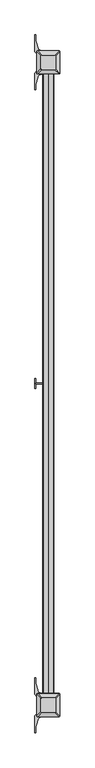
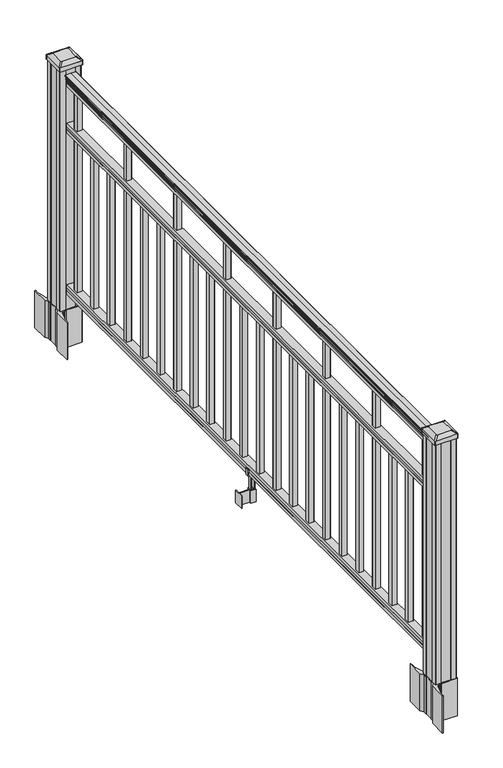
"""IFC4 building model written with IfcOpenShell, lengths in millimetres: railing geometry."""

from ifc_helpers import new_model, si_unit, point, frame, frame_2d, origin, origin_with_axes, place, context, project, spatial, polyline, circle_curve, trimmed, segment, composite_curve, outline, extrude, source, transform, mapped, element, save
from ifc_brep_helpers import plane_surface, extruded_surface, advanced_brep


def railing_ac12a959(model_context):
    return source(origin(), model_context, "Body", "SolidModel", [
        extrude(outline(composite_curve([segment(polyline([(938.4043297, 949.2470786), (940.292412, 949.2470786)]), True, "CONTINUOUS"), segment(trimmed(circle_curve(frame_2d((946.0506383, 942.9323253)), 8.545951), [point((940.292412, 949.2470786))], [point((941.8546695, 950.3772649))], False, "CARTESIAN"), True, "CONTINUOUS"), segment(trimmed(circle_curve(frame_2d((945.4636577, 943.3693883)), 7.882584), [point((941.8546695, 950.3772649))], [point((949.0726458, 950.3772649))], False, "CARTESIAN"), True, "CONTINUOUS"), segment(trimmed(circle_curve(frame_2d((951.3112527, 953.8827124)), 4.1592695), [point((949.0726458, 950.3772649))], [point((951.5060812, 949.7280085))], True, "CARTESIAN"), True, "CONTINUOUS"), segment(trimmed(circle_curve(frame_2d((951.2508864, 955.1700189)), 5.4479907), [point((951.5060812, 949.7280085))], [point((955.8362083, 952.2280085))], True, "CARTESIAN"), True, "CONTINUOUS"), segment(trimmed(circle_curve(frame_2d((955.833395, 953.9368605)), 1.7088543), [point((955.8362083, 952.2280085))], [point((957.5157972, 953.6373509))], True, "CARTESIAN"), True, "CONTINUOUS"), segment(trimmed(circle_curve(frame_2d((958.6205318, 952.3199604)), 1.7192895), [point((957.5157972, 953.6373509))], [point((958.6205318, 954.0392499))], False, "CARTESIAN"), True, "CONTINUOUS"), segment(polyline([(958.6205318, 954.0392499), (959.9608158, 954.0392498)]), True, "CONTINUOUS"), segment(trimmed(circle_curve(frame_2d((959.9608158, 952.4858026)), 1.5534472), [point((959.9608158, 954.0392498))], [point((961.514263, 952.4858026))], False, "CARTESIAN"), True, "CONTINUOUS"), segment(polyline([(961.514263, 952.4858026), (961.514263, 931.8142498), (961.514263, 911.1426971)]), True, "CONTINUOUS"), segment(trimmed(circle_curve(frame_2d((959.9608158, 911.1426971)), 1.5534472), [point((961.514263, 911.1426971))], [point((959.9608158, 909.5892498))], False, "CARTESIAN"), True, "CONTINUOUS"), segment(polyline([(959.9608158, 909.5892498), (958.6205318, 909.5892498)]), True, "CONTINUOUS"), segment(trimmed(circle_curve(frame_2d((958.6205318, 911.3085393)), 1.7192895), [point((958.6205318, 909.5892498))], [point((957.5157972, 909.9911488))], False, "CARTESIAN"), True, "CONTINUOUS"), segment(trimmed(circle_curve(frame_2d((955.833395, 909.6916392)), 1.7088543), [point((957.5157972, 909.9911488))], [point((955.8362083, 911.4004912))], True, "CARTESIAN"), True, "CONTINUOUS"), segment(trimmed(circle_curve(frame_2d((951.2508864, 908.4584807)), 5.4479907), [point((955.8362083, 911.4004912))], [point((951.5060812, 913.9004912))], True, "CARTESIAN"), True, "CONTINUOUS"), segment(trimmed(circle_curve(frame_2d((951.3112527, 909.7457873)), 4.1592695), [point((951.5060812, 913.9004912))], [point((949.0726458, 913.2512348))], True, "CARTESIAN"), True, "CONTINUOUS"), segment(trimmed(circle_curve(frame_2d((945.4636577, 920.2591114)), 7.882584), [point((949.0726458, 913.2512348))], [point((941.8546695, 913.2512348))], False, "CARTESIAN"), True, "CONTINUOUS"), segment(trimmed(circle_curve(frame_2d((946.0506383, 920.6961744)), 8.545951), [point((941.8546695, 913.2512348))], [point((940.292412, 914.3814211))], False, "CARTESIAN"), True, "CONTINUOUS"), segment(polyline([(940.292412, 914.3814211), (938.4043297, 914.3814211)]), True, "CONTINUOUS"), segment(trimmed(circle_curve(frame_2d((938.4043297, 915.6683355)), 1.2869144), [point((938.4043297, 914.3814211))], [point((938.4043297, 916.9552498))], False, "CARTESIAN"), True, "CONTINUOUS"), segment(polyline([(938.4043297, 916.9552498), (927.9048283, 916.9552498), (926.8888283, 915.9392498), (914.4, 915.9392498), (914.4, 947.6892498), (926.731013, 947.6892498), (927.747013, 946.6732498), (938.4043297, 946.6732498)]), True, "CONTINUOUS"), segment(trimmed(circle_curve(frame_2d((938.4043297, 947.9601642)), 1.2869144), [point((938.4043297, 946.6732498))], [point((938.4043297, 949.2470786))], False, "CARTESIAN"), True, "CONTINUOUS")], self_intersect=False)), frame((0.0, -114796.5191011, 0.0), z_axis=(0.0, 1.0, 0.0), x_axis=(0.0, 0.0, 1.0)), (0.0, 0.0, 1.0), 2438.4),
        extrude(outline(polyline([(736.4541976, 947.7267367), (737.7546183, 946.7107367), (748.1141717, 946.7107367), (749.4624492, 947.7267367), (761.9958781, 947.7267367), (761.9958781, 915.9767367), (749.4458024, 915.9767367), (748.0975248, 916.9927367), (737.7858283, 916.9927367), (736.4375508, 915.9767367), (723.9, 915.9767367), (723.9, 947.7267367), (736.4541976, 947.7267367)])), frame((0.0, -114796.5191011, 0.0), z_axis=(0.0, 1.0, 0.0), x_axis=(0.0, 0.0, 1.0)), (0.0, 0.0, 1.0), 2438.4),
        extrude(outline(polyline([(76.0541976, 947.7267367), (77.3546183, 946.7107367), (87.7141717, 946.7107367), (89.0624492, 947.7267367), (101.5958781, 947.7267367), (101.5958781, 915.9767367), (89.0458024, 915.9767367), (87.6975248, 916.9927367), (77.3858283, 916.9927367), (76.0375508, 915.9767367), (63.5, 915.9767367), (63.5, 947.7267367), (76.0541976, 947.7267367)])), frame((0.0, -114796.5191011, 0.0), z_axis=(0.0, 1.0, 0.0), x_axis=(0.0, 0.0, 1.0)), (0.0, 0.0, 1.0), 2438.4),
        extrude(outline(polyline([(941.3392498, -112417.4281011), (922.2892498, -112417.4281011), (922.2892498, -112398.3781011), (941.3392498, -112398.3781011), (941.3392498, -112417.4281011)]), holes=[polyline([(940.9423748, -112417.0312261), (940.9423748, -112398.7749761), (922.6861248, -112398.7749761), (922.6861248, -112417.0312261), (940.9423748, -112417.0312261)])]), frame((0.0, 0.0, 101.5958781), z_axis=(0.0, 0.0, 1.0), x_axis=(1.0, 0.0, 0.0)), (0.0, 0.0, 1.0), 812.8041219),
        extrude(outline(polyline([(941.3392498, -112528.6801011), (922.2892498, -112528.6801011), (922.2892498, -112509.6301011), (941.3392498, -112509.6301011), (941.3392498, -112528.6801011)]), holes=[polyline([(940.9423748, -112528.2832261), (940.9423748, -112510.0269761), (922.6861248, -112510.0269761), (922.6861248, -112528.2832261), (940.9423748, -112528.2832261)])]), frame((0.0, 0.0, 101.5958781), z_axis=(0.0, 0.0, 1.0), x_axis=(1.0, 0.0, 0.0)), (0.0, 0.0, 1.0), 622.3041219),
        extrude(outline(polyline([(941.3392498, -112639.9321011), (922.2892498, -112639.9321011), (922.2892498, -112620.8821011), (941.3392498, -112620.8821011), (941.3392498, -112639.9321011)]), holes=[polyline([(940.9423748, -112639.5352261), (940.9423748, -112621.2789761), (922.6861248, -112621.2789761), (922.6861248, -112639.5352261), (940.9423748, -112639.5352261)])]), frame((0.0, 0.0, 101.5958781), z_axis=(0.0, 0.0, 1.0), x_axis=(1.0, 0.0, 0.0)), (0.0, 0.0, 1.0), 622.3041219),
        extrude(outline(polyline([(941.3392498, -112751.1841011), (922.2892498, -112751.1841011), (922.2892498, -112732.1341011), (941.3392498, -112732.1341011), (941.3392498, -112751.1841011)]), holes=[polyline([(940.9423748, -112750.7872261), (940.9423748, -112732.5309761), (922.6861248, -112732.5309761), (922.6861248, -112750.7872261), (940.9423748, -112750.7872261)])]), frame((0.0, 0.0, 101.5958781), z_axis=(0.0, 0.0, 1.0), x_axis=(1.0, 0.0, 0.0)), (0.0, 0.0, 1.0), 812.8041219),
        extrude(outline(polyline([(941.3392498, -112862.4361011), (922.2892498, -112862.4361011), (922.2892498, -112843.3861011), (941.3392498, -112843.3861011), (941.3392498, -112862.4361011)]), holes=[polyline([(940.9423748, -112862.0392261), (940.9423748, -112843.7829761), (922.6861248, -112843.7829761), (922.6861248, -112862.0392261), (940.9423748, -112862.0392261)])]), frame((0.0, 0.0, 101.5958781), z_axis=(0.0, 0.0, 1.0), x_axis=(1.0, 0.0, 0.0)), (0.0, 0.0, 1.0), 622.3041219),
        extrude(outline(polyline([(941.3392498, -112973.6881011), (922.2892498, -112973.6881011), (922.2892498, -112954.6381011), (941.3392498, -112954.6381011), (941.3392498, -112973.6881011)]), holes=[polyline([(940.9423748, -112973.2912261), (940.9423748, -112955.0349761), (922.6861248, -112955.0349761), (922.6861248, -112973.2912261), (940.9423748, -112973.2912261)])]), frame((0.0, 0.0, 101.5958781), z_axis=(0.0, 0.0, 1.0), x_axis=(1.0, 0.0, 0.0)), (0.0, 0.0, 1.0), 622.3041219),
        extrude(outline(polyline([(941.3392498, -113084.9401011), (922.2892498, -113084.9401011), (922.2892498, -113065.8901011), (941.3392498, -113065.8901011), (941.3392498, -113084.9401011)]), holes=[polyline([(940.9423748, -113084.5432261), (940.9423748, -113066.2869761), (922.6861248, -113066.2869761), (922.6861248, -113084.5432261), (940.9423748, -113084.5432261)])]), frame((0.0, 0.0, 101.5958781), z_axis=(0.0, 0.0, 1.0), x_axis=(1.0, 0.0, 0.0)), (0.0, 0.0, 1.0), 812.8041219),
        extrude(outline(polyline([(941.3392498, -113196.1921011), (922.2892498, -113196.1921011), (922.2892498, -113177.1421011), (941.3392498, -113177.1421011), (941.3392498, -113196.1921011)]), holes=[polyline([(940.9423748, -113195.7952261), (940.9423748, -113177.5389761), (922.6861248, -113177.5389761), (922.6861248, -113195.7952261), (940.9423748, -113195.7952261)])]), frame((0.0, 0.0, 101.5958781), z_axis=(0.0, 0.0, 1.0), x_axis=(1.0, 0.0, 0.0)), (0.0, 0.0, 1.0), 622.3041219),
        extrude(outline(polyline([(941.3392498, -113307.4441011), (922.2892498, -113307.4441011), (922.2892498, -113288.3941011), (941.3392498, -113288.3941011), (941.3392498, -113307.4441011)]), holes=[polyline([(940.9423748, -113307.0472261), (940.9423748, -113288.7909761), (922.6861248, -113288.7909761), (922.6861248, -113307.0472261), (940.9423748, -113307.0472261)])]), frame((0.0, 0.0, 101.5958781), z_axis=(0.0, 0.0, 1.0), x_axis=(1.0, 0.0, 0.0)), (0.0, 0.0, 1.0), 622.3041219),
        extrude(outline(polyline([(941.3392498, -113418.6961011), (922.2892498, -113418.6961011), (922.2892498, -113399.6461011), (941.3392498, -113399.6461011), (941.3392498, -113418.6961011)]), holes=[polyline([(940.9423748, -113418.2992261), (940.9423748, -113400.0429761), (922.6861248, -113400.0429761), (922.6861248, -113418.2992261), (940.9423748, -113418.2992261)])]), frame((0.0, 0.0, 101.5958781), z_axis=(0.0, 0.0, 1.0), x_axis=(1.0, 0.0, 0.0)), (0.0, 0.0, 1.0), 812.8041219),
        extrude(outline(polyline([(941.3392498, -113529.9481011), (922.2892498, -113529.9481011), (922.2892498, -113510.8981011), (941.3392498, -113510.8981011), (941.3392498, -113529.9481011)]), holes=[polyline([(940.9423748, -113529.5512261), (940.9423748, -113511.2949761), (922.6861248, -113511.2949761), (922.6861248, -113529.5512261), (940.9423748, -113529.5512261)])]), frame((0.0, 0.0, 101.5958781), z_axis=(0.0, 0.0, 1.0), x_axis=(1.0, 0.0, 0.0)), (0.0, 0.0, 1.0), 622.3041219),
        extrude(outline(polyline([(921.1462501, -113577.3191011), (881.7762498, -113577.3191011), (881.7762498, -113574.7791011), (921.1462501, -113574.7791011), (921.1462501, -113577.3191011)])), frame((0.0, 0.0, -50.8), z_axis=(0.0, 0.0, 1.0), x_axis=(1.0, 0.0, 0.0)), (0.0, 0.0, 1.0), 50.8),
        extrude(outline(polyline([(881.7762498, -113595.0991011), (879.2362498, -113595.0991011), (879.2362498, -113556.9991011), (881.7762498, -113556.9991011), (881.7762498, -113595.0991011)])), frame((0.0, 0.0, -50.8), z_axis=(0.0, 0.0, 1.0), x_axis=(1.0, 0.0, 0.0)), (0.0, 0.0, 1.0), 50.8),
        extrude(outline(polyline([(942.4822506, -113585.9551011), (921.1462501, -113585.9551011), (921.1462501, -113566.1431011), (942.4822506, -113566.1431011), (942.4822506, -113585.9551011)]), holes=[polyline([(939.1802505, -113583.4151011), (939.1802505, -113568.6831011), (924.4482501, -113568.6831011), (924.4482501, -113583.4151011), (939.1802505, -113583.4151011)])]), frame((0.0, 0.0, -50.8), z_axis=(0.0, 0.0, 1.0), x_axis=(1.0, 0.0, 0.0)), (0.0, 0.0, 1.0), 50.8),
        extrude(outline(polyline([(88.7203979, 913.653251), (87.9583969, 912.89125), (61.4680023, 912.89125), (60.7060013, 913.653251), (60.7060013, 923.6862501), (59.9440012, 924.4482501), (-3.5559988, 924.4482501), (-3.5559988, 939.1802505), (59.9440012, 939.1802505), (60.7060013, 939.9422506), (60.7060013, 949.9752496), (61.4680023, 950.7372507), (87.9583969, 950.7372507), (88.7203979, 949.9752496), (88.7203979, 947.94325), (87.7043953, 946.9272502), (77.2686081, 946.9272502), (76.2526073, 947.94325), (64.262001, 947.94325), (63.5000019, 947.1812509), (63.5000019, 916.4472497), (64.262001, 915.6852506), (76.2526073, 915.6852506), (77.2686081, 916.7012504), (87.7043953, 916.7012504), (88.7203979, 915.6852506), (88.7203979, 913.653251)]), holes=[polyline([(60.7060013, 935.2432502), (59.9440012, 936.0052503), (3.9370031, 936.0052503), (3.1750031, 935.2432502), (3.1750031, 928.3852476), (3.9370003, 927.6232503), (59.9440012, 927.6232503), (60.7060013, 928.3852504), (60.7060013, 935.2432502)])]), frame((0.0, -113583.4151011, 0.0), z_axis=(0.0, 1.0, 0.0), x_axis=(0.0, 0.0, 1.0)), (0.0, 0.0, 1.0), 14.732),
        extrude(outline(polyline([(941.3392498, -113641.2001011), (922.2892498, -113641.2001011), (922.2892498, -113622.1501011), (941.3392498, -113622.1501011), (941.3392498, -113641.2001011)]), holes=[polyline([(940.9423748, -113640.8032261), (940.9423748, -113622.5469761), (922.6861248, -113622.5469761), (922.6861248, -113640.8032261), (940.9423748, -113640.8032261)])]), frame((0.0, 0.0, 101.5958781), z_axis=(0.0, 0.0, 1.0), x_axis=(1.0, 0.0, 0.0)), (0.0, 0.0, 1.0), 622.3041219),
        extrude(outline(polyline([(941.3392498, -113752.4521011), (922.2892498, -113752.4521011), (922.2892498, -113733.4021011), (941.3392498, -113733.4021011), (941.3392498, -113752.4521011)]), holes=[polyline([(940.9423748, -113752.0552261), (940.9423748, -113733.7989761), (922.6861248, -113733.7989761), (922.6861248, -113752.0552261), (940.9423748, -113752.0552261)])]), frame((0.0, 0.0, 101.5958781), z_axis=(0.0, 0.0, 1.0), x_axis=(1.0, 0.0, 0.0)), (0.0, 0.0, 1.0), 812.8041219),
        extrude(outline(polyline([(941.3392498, -113863.7041011), (922.2892498, -113863.7041011), (922.2892498, -113844.6541011), (941.3392498, -113844.6541011), (941.3392498, -113863.7041011)]), holes=[polyline([(940.9423748, -113863.3072261), (940.9423748, -113845.0509761), (922.6861248, -113845.0509761), (922.6861248, -113863.3072261), (940.9423748, -113863.3072261)])]), frame((0.0, 0.0, 101.5958781), z_axis=(0.0, 0.0, 1.0), x_axis=(1.0, 0.0, 0.0)), (0.0, 0.0, 1.0), 622.3041219),
        extrude(outline(polyline([(941.3392498, -113974.9561011), (922.2892498, -113974.9561011), (922.2892498, -113955.9061011), (941.3392498, -113955.9061011), (941.3392498, -113974.9561011)]), holes=[polyline([(940.9423748, -113974.5592261), (940.9423748, -113956.3029761), (922.6861248, -113956.3029761), (922.6861248, -113974.5592261), (940.9423748, -113974.5592261)])]), frame((0.0, 0.0, 101.5958781), z_axis=(0.0, 0.0, 1.0), x_axis=(1.0, 0.0, 0.0)), (0.0, 0.0, 1.0), 622.3041219),
        extrude(outline(polyline([(941.3392498, -114086.2081011), (922.2892498, -114086.2081011), (922.2892498, -114067.1581011), (941.3392498, -114067.1581011), (941.3392498, -114086.2081011)]), holes=[polyline([(940.9423748, -114085.8112261), (940.9423748, -114067.5549761), (922.6861248, -114067.5549761), (922.6861248, -114085.8112261), (940.9423748, -114085.8112261)])]), frame((0.0, 0.0, 101.5958781), z_axis=(0.0, 0.0, 1.0), x_axis=(1.0, 0.0, 0.0)), (0.0, 0.0, 1.0), 812.8041219),
        extrude(outline(polyline([(941.3392498, -114197.4601011), (922.2892498, -114197.4601011), (922.2892498, -114178.4101011), (941.3392498, -114178.4101011), (941.3392498, -114197.4601011)]), holes=[polyline([(940.9423748, -114197.0632261), (940.9423748, -114178.8069761), (922.6861248, -114178.8069761), (922.6861248, -114197.0632261), (940.9423748, -114197.0632261)])]), frame((0.0, 0.0, 101.5958781), z_axis=(0.0, 0.0, 1.0), x_axis=(1.0, 0.0, 0.0)), (0.0, 0.0, 1.0), 622.3041219),
        extrude(outline(polyline([(941.3392498, -114308.7121011), (922.2892498, -114308.7121011), (922.2892498, -114289.6621011), (941.3392498, -114289.6621011), (941.3392498, -114308.7121011)]), holes=[polyline([(940.9423748, -114308.3152261), (940.9423748, -114290.0589761), (922.6861248, -114290.0589761), (922.6861248, -114308.3152261), (940.9423748, -114308.3152261)])]), frame((0.0, 0.0, 101.5958781), z_axis=(0.0, 0.0, 1.0), x_axis=(1.0, 0.0, 0.0)), (0.0, 0.0, 1.0), 622.3041219),
        extrude(outline(polyline([(941.3392498, -114419.9641011), (922.2892498, -114419.9641011), (922.2892498, -114400.9141011), (941.3392498, -114400.9141011), (941.3392498, -114419.9641011)]), holes=[polyline([(940.9423748, -114419.5672261), (940.9423748, -114401.3109761), (922.6861248, -114401.3109761), (922.6861248, -114419.5672261), (940.9423748, -114419.5672261)])]), frame((0.0, 0.0, 101.5958781), z_axis=(0.0, 0.0, 1.0), x_axis=(1.0, 0.0, 0.0)), (0.0, 0.0, 1.0), 812.8041219),
        extrude(outline(polyline([(941.3392498, -114531.2161011), (922.2892498, -114531.2161011), (922.2892498, -114512.1661011), (941.3392498, -114512.1661011), (941.3392498, -114531.2161011)]), holes=[polyline([(940.9423748, -114530.8192261), (940.9423748, -114512.5629761), (922.6861248, -114512.5629761), (922.6861248, -114530.8192261), (940.9423748, -114530.8192261)])]), frame((0.0, 0.0, 101.5958781), z_axis=(0.0, 0.0, 1.0), x_axis=(1.0, 0.0, 0.0)), (0.0, 0.0, 1.0), 622.3041219),
        extrude(outline(polyline([(941.3392498, -114642.4681011), (922.2892498, -114642.4681011), (922.2892498, -114623.4181011), (941.3392498, -114623.4181011), (941.3392498, -114642.4681011)]), holes=[polyline([(940.9423748, -114642.0712261), (940.9423748, -114623.8149761), (922.6861248, -114623.8149761), (922.6861248, -114642.0712261), (940.9423748, -114642.0712261)])]), frame((0.0, 0.0, 101.5958781), z_axis=(0.0, 0.0, 1.0), x_axis=(1.0, 0.0, 0.0)), (0.0, 0.0, 1.0), 622.3041219),
        extrude(outline(polyline([(941.3392498, -114753.7201011), (922.2892498, -114753.7201011), (922.2892498, -114734.6701011), (941.3392498, -114734.6701011), (941.3392498, -114753.7201011)]), holes=[polyline([(940.9423748, -114753.3232261), (940.9423748, -114735.0669761), (922.6861248, -114735.0669761), (922.6861248, -114753.3232261), (940.9423748, -114753.3232261)])]), frame((0.0, 0.0, 101.5958781), z_axis=(0.0, 0.0, 1.0), x_axis=(1.0, 0.0, 0.0)), (0.0, 0.0, 1.0), 812.8041219),
        extrude(outline(composite_curve([segment(polyline([(974.5497498, -112334.103196), (976.1372498, -112334.865196), (976.1372498, -112357.6671241), (972.7642728, -112361.0401011), (911.304602, -112361.0401011), (911.304602, -112361.9608511), (905.9870581, -112361.9608511), (905.9870581, -112363.4151058), (900.9025284, -112363.4151058), (900.9025284, -112364.6991297), (899.2352561, -112364.6991297)]), True, "CONTINUOUS"), segment(trimmed(circle_curve(frame_2d((899.2352561, -112371.7585895)), 7.0594599), [point((899.2352561, -112364.6991297))], [point((892.4679933, -112369.7485828))], True, "CARTESIAN"), True, "CONTINUOUS"), segment(polyline([(892.4679933, -112369.7485828), (884.593799, -112396.2593119)]), True, "CONTINUOUS"), segment(trimmed(circle_curve(frame_2d((939.3783123, -112412.5313616)), 57.15), [point((884.593799, -112396.2593119))], [point((882.2283123, -112412.5313616))], True, "CARTESIAN"), True, "CONTINUOUS"), segment(polyline([(882.2283123, -112412.5313616), (882.2283123, -112424.5401011), (879.2283123, -112424.5401011), (879.2283123, -112359.4526011), (887.4912498, -112348.1143098), (887.4912498, -112334.865196), (889.0787498, -112334.103196), (889.0787498, -112299.3310063), (887.4912498, -112298.5690063), (887.4912498, -112285.3198925), (879.2283123, -112273.9816011), (879.2283123, -112208.8941011), (882.2283123, -112208.8941011), (882.2283123, -112220.9028407)]), True, "CONTINUOUS"), segment(trimmed(circle_curve(frame_2d((939.3783123, -112220.9028407)), 57.15), [point((882.2283123, -112220.9028407))], [point((884.593799, -112237.1748904))], True, "CARTESIAN"), True, "CONTINUOUS"), segment(polyline([(884.593799, -112237.1748904), (892.4679933, -112263.6856194)]), True, "CONTINUOUS"), segment(trimmed(circle_curve(frame_2d((899.2352561, -112261.6756128)), 7.0594599), [point((892.4679933, -112263.6856194))], [point((899.2352561, -112268.7350726))], True, "CARTESIAN"), True, "CONTINUOUS"), segment(polyline([(899.2352561, -112268.7350726), (900.9025284, -112268.7350726), (900.9025284, -112270.0190965), (905.9870581, -112270.0190965), (905.9870581, -112271.4733511), (911.304602, -112271.4733511), (911.304602, -112272.3941011), (972.7642728, -112272.3941011), (976.1372498, -112275.7670782), (976.1372498, -112298.5690063), (974.5497498, -112299.3310063), (974.5497498, -112334.103196)]), True, "CONTINUOUS")], self_intersect=False), holes=[polyline([(890.5392498, -112277.0296011), (890.5392498, -112356.4046011), (892.1267498, -112357.9921011), (929.0510325, -112357.9921011), (971.5017498, -112357.9921011), (973.0892498, -112356.4046011), (973.0892498, -112277.0296011), (971.5017498, -112275.4421011), (929.0510325, -112275.4421011), (892.1267498, -112275.4421011), (890.5392498, -112277.0296011)])]), frame((0.0, 0.0, -152.4), z_axis=(0.0, 0.0, 1.0), x_axis=(1.0, 0.0, 0.0)), (0.0, 0.0, 1.0), 152.4),
        advanced_brep(
        [(906.0173748, -112345.6889761, 1012.825), (957.6111248, -112345.6889761, 1012.825), (960.7861248, -112342.5139761, 1012.825), (960.7861248, -112290.9202261, 1012.825), (957.6111248, -112287.7452261, 1012.825), (906.0173748, -112287.7452261, 1012.825), (902.8423748, -112290.9202261, 1012.825), (902.8423748, -112342.5139761, 1012.825), (889.7454998, -112361.9608511, 1001.522), (886.5704998, -112358.7858511, 1001.522), (886.5704998, -112274.6483511, 1001.522), (889.7454998, -112271.4733511, 1001.522), (973.8829998, -112271.4733511, 1001.522), (977.0579998, -112274.6483511, 1001.522), (977.0579998, -112358.7858511, 1001.522), (973.8829998, -112361.9608511, 1001.522)],
        [
            (0, 1),
            (1, 2, circle_curve(frame((957.6111248, -112342.5139761, 1012.825), z_axis=(0.0, 0.0, 1.0), x_axis=(0.0, 1.0, 0.0)), 3.175)),
            (2, 3),
            (3, 4, circle_curve(frame((957.6111248, -112290.9202261, 1012.825), z_axis=(0.0, 0.0, 1.0), x_axis=(0.0, 1.0, 0.0)), 3.175)),
            (4, 5),
            (5, 6, circle_curve(frame((906.0173748, -112290.9202261, 1012.825), z_axis=(0.0, 0.0, 1.0), x_axis=(0.0, 1.0, 0.0)), 3.175)),
            (6, 7),
            (7, 0, circle_curve(frame((906.0173748, -112342.5139761, 1012.825), z_axis=(0.0, 0.0, 1.0), x_axis=(0.0, 1.0, 0.0)), 3.175)),
            (8, 9, circle_curve(frame((889.7454998, -112358.7858511, 1001.522), z_axis=(0.0, 0.0, -1.0), x_axis=(0.0, 1.0, 0.0)), 3.175)),
            (9, 10),
            (10, 11, circle_curve(frame((889.7454998, -112274.6483511, 1001.522), z_axis=(0.0, 0.0, -1.0), x_axis=(0.0, 1.0, 0.0)), 3.175)),
            (11, 12),
            (12, 13, circle_curve(frame((973.8829998, -112274.6483511, 1001.522), z_axis=(0.0, 0.0, -1.0), x_axis=(0.0, 1.0, 0.0)), 3.175)),
            (13, 14),
            (14, 15, circle_curve(frame((973.8829998, -112358.7858511, 1001.522), z_axis=(0.0, 0.0, -1.0), x_axis=(0.0, 1.0, 0.0)), 3.175)),
            (15, 8),
            (8, 0),
            (7, 9),
            (6, 10),
            (5, 11),
            (4, 12),
            (3, 13),
            (2, 14),
            (1, 15),
        ],
        [
            plane_surface(frame((931.8142498, -112316.7171011, 1012.825), z_axis=(0.0, 0.0, 1.0), x_axis=(-1.0, 0.0, 0.0))),
            plane_surface(frame((931.8142498, -112316.7171011, 1001.522), z_axis=(0.0, 0.0, -1.0), x_axis=(-1.0, 0.0, 0.0))),
            extruded_surface(trimmed(circle_curve(frame((906.0173748, -112342.5139761, 1012.825), z_axis=(0.0, 0.0, -1.0), x_axis=(0.0, 1.0, 0.0)), 3.175), [point((906.0173748, -112345.6889761, 1012.825))], [point((902.8423748, -112342.5139761, 1012.825))], True, "CARTESIAN"), (-16.271875000000023, -16.27187499999127, -11.302999999999997), 25.637972638860635),
            plane_surface(frame((886.5704998, -112316.7171011, 1001.522), z_axis=(-0.5705009161540779, 0.0, 0.8212969649690408), x_axis=(0.0, 1.0, 0.0))),
            extruded_surface(trimmed(circle_curve(frame((906.0173748, -112290.9202261, 1012.825), z_axis=(0.0, 0.0, -1.0), x_axis=(0.0, 1.0, 0.0)), 3.175), [point((902.8423748, -112290.9202261, 1012.825))], [point((906.0173748, -112287.7452261, 1012.825))], True, "CARTESIAN"), (-16.271875000000023, 16.27187500000582, -11.302999999999997), 25.637972638869872),
            plane_surface(frame((931.8142498, -112271.4733511, 1001.522), z_axis=(0.0, 0.5705009161540291, 0.8212969649690747), x_axis=(1.0, 0.0, 0.0))),
            extruded_surface(trimmed(circle_curve(frame((957.6111248, -112290.9202261, 1012.825), z_axis=(0.0, 0.0, -1.0), x_axis=(0.0, 1.0, 0.0)), 3.175), [point((957.6111248, -112287.7452261, 1012.825))], [point((960.7861248, -112290.9202261, 1012.825))], True, "CARTESIAN"), (16.271875000000023, 16.27187500000582, -11.302999999999997), 25.637972638869872),
            plane_surface(frame((977.0579998, -112316.7171011, 1001.522), z_axis=(0.5705009161540141, 0.0, 0.8212969649690851), x_axis=(0.0, -1.0, 0.0))),
            extruded_surface(trimmed(circle_curve(frame((957.6111248, -112342.5139761, 1012.825), z_axis=(0.0, 0.0, -1.0), x_axis=(0.0, 1.0, 0.0)), 3.175), [point((960.7861248, -112342.5139761, 1012.825))], [point((957.6111248, -112345.6889761, 1012.825))], True, "CARTESIAN"), (16.271875000000023, -16.27187499999127, -11.302999999999997), 25.637972638860635),
            plane_surface(frame((931.8142498, -112361.9608511, 1001.522), z_axis=(0.0, -0.570500916154034, 0.8212969649690713), x_axis=(-1.0, 0.0, 0.0))),
        ],
        [
            (0, [[1, 2, 3, 4, 5, 6, 7, 8]]),
            (1, [[9, 10, 11, 12, 13, 14, 15, 16]]),
            (2, [[17, -8, 18, -9]]),
            (3, [[-18, -7, 19, -10]]),
            (4, [[-19, -6, 20, -11]]),
            (5, [[-20, -5, 21, -12]]),
            (6, [[-21, -4, 22, -13]]),
            (7, [[-22, -3, 23, -14]]),
            (8, [[-23, -2, 24, -15]]),
            (9, [[-24, -1, -17, -16]]),
        ],
    ),
        extrude(outline(composite_curve([segment(trimmed(circle_curve(frame_2d((889.7454998, -112358.7858511)), 3.175), [point((889.7454998, -112361.9608511))], [point((886.5704998, -112358.7858511))], False, "CARTESIAN"), True, "CONTINUOUS"), segment(polyline([(886.5704998, -112358.7858511), (886.5704998, -112274.6483511)]), True, "CONTINUOUS"), segment(trimmed(circle_curve(frame_2d((889.7454998, -112274.6483511)), 3.175), [point((886.5704998, -112274.6483511))], [point((889.7454998, -112271.4733511))], False, "CARTESIAN"), True, "CONTINUOUS"), segment(polyline([(889.7454998, -112271.4733511), (973.8829998, -112271.4733511)]), True, "CONTINUOUS"), segment(trimmed(circle_curve(frame_2d((973.8829998, -112274.6483511)), 3.175), [point((973.8829998, -112271.4733511))], [point((977.0579998, -112274.6483511))], False, "CARTESIAN"), True, "CONTINUOUS"), segment(polyline([(977.0579998, -112274.6483511), (977.0579998, -112358.7858511)]), True, "CONTINUOUS"), segment(trimmed(circle_curve(frame_2d((973.8829998, -112358.7858511)), 3.175), [point((977.0579998, -112358.7858511))], [point((973.8829998, -112361.9608511))], False, "CARTESIAN"), True, "CONTINUOUS"), segment(polyline([(973.8829998, -112361.9608511), (889.7454998, -112361.9608511)]), True, "CONTINUOUS")], self_intersect=False)), frame((0.0, 0.0, 984.25), z_axis=(0.0, 0.0, 1.0), x_axis=(1.0, 0.0, 0.0)), (0.0, 0.0, 1.0), 17.272),
        extrude(outline(polyline([(892.1267498, -112357.9921011), (890.5392498, -112356.4046011), (890.5392498, -112336.7831011), (892.1267498, -112336.0211011), (892.1267498, -112297.4131011), (890.5392498, -112296.6511011), (890.5392498, -112277.0296011), (892.1267498, -112275.4421011), (911.7482498, -112275.4421011), (912.5102498, -112277.0296011), (951.1182498, -112277.0296011), (951.8802498, -112275.4421011), (971.5017498, -112275.4421011), (973.0892498, -112277.0296011), (973.0892498, -112296.6511011), (971.5017498, -112297.4131011), (971.5017498, -112336.0211011), (973.0892498, -112336.7831011), (973.0892498, -112356.4046011), (971.5017498, -112357.9921011), (951.8802498, -112357.9921011), (951.1182498, -112356.4046011), (912.5102498, -112356.4046011), (911.7482498, -112357.9921011), (892.1267498, -112357.9921011)])), origin_with_axes(), (0.0, 0.0, 1.0), 984.25),
        extrude(outline(composite_curve([segment(polyline([(974.5497498, -114855.307196), (976.1372498, -114856.069196), (976.1372498, -114878.8711241), (972.7642728, -114882.2441011), (911.304602, -114882.2441011), (911.304602, -114883.1648511), (905.9870581, -114883.1648511), (905.9870581, -114884.6191058), (900.9025284, -114884.6191058), (900.9025284, -114885.9031297), (899.2352561, -114885.9031297)]), True, "CONTINUOUS"), segment(trimmed(circle_curve(frame_2d((899.2352561, -114892.9625895)), 7.0594599), [point((899.2352561, -114885.9031297))], [point((892.4679933, -114890.9525828))], True, "CARTESIAN"), True, "CONTINUOUS"), segment(polyline([(892.4679933, -114890.9525828), (884.593799, -114917.4633119)]), True, "CONTINUOUS"), segment(trimmed(circle_curve(frame_2d((939.3783123, -114933.7353616)), 57.15), [point((884.593799, -114917.4633119))], [point((882.2283123, -114933.7353616))], True, "CARTESIAN"), True, "CONTINUOUS"), segment(polyline([(882.2283123, -114933.7353616), (882.2283123, -114945.7441011), (879.2283123, -114945.7441011), (879.2283123, -114880.6566011), (887.4912498, -114869.3183098), (887.4912498, -114856.069196), (889.0787498, -114855.307196), (889.0787498, -114820.5350063), (887.4912498, -114819.7730063), (887.4912498, -114806.5238925), (879.2283123, -114795.1856011), (879.2283123, -114730.0981011), (882.2283123, -114730.0981011), (882.2283123, -114742.1068407)]), True, "CONTINUOUS"), segment(trimmed(circle_curve(frame_2d((939.3783123, -114742.1068407)), 57.15), [point((882.2283123, -114742.1068407))], [point((884.593799, -114758.3788904))], True, "CARTESIAN"), True, "CONTINUOUS"), segment(polyline([(884.593799, -114758.3788904), (892.4679933, -114784.8896194)]), True, "CONTINUOUS"), segment(trimmed(circle_curve(frame_2d((899.2352561, -114782.8796128)), 7.0594599), [point((892.4679933, -114784.8896194))], [point((899.2352561, -114789.9390726))], True, "CARTESIAN"), True, "CONTINUOUS"), segment(polyline([(899.2352561, -114789.9390726), (900.9025284, -114789.9390726), (900.9025284, -114791.2230965), (905.9870581, -114791.2230965), (905.9870581, -114792.6773511), (911.304602, -114792.6773511), (911.304602, -114793.5981011), (972.7642728, -114793.5981011), (976.1372498, -114796.9710782), (976.1372498, -114819.7730063), (974.5497498, -114820.5350063), (974.5497498, -114855.307196)]), True, "CONTINUOUS")], self_intersect=False), holes=[polyline([(890.5392498, -114798.2336011), (890.5392498, -114877.6086011), (892.1267498, -114879.1961011), (929.0510325, -114879.1961011), (971.5017498, -114879.1961011), (973.0892498, -114877.6086011), (973.0892498, -114798.2336011), (971.5017498, -114796.6461011), (929.0510325, -114796.6461011), (892.1267498, -114796.6461011), (890.5392498, -114798.2336011)])]), frame((0.0, 0.0, -152.4), z_axis=(0.0, 0.0, 1.0), x_axis=(1.0, 0.0, 0.0)), (0.0, 0.0, 1.0), 152.4),
        advanced_brep(
        [(906.0173748, -114866.8929761, 1012.825), (957.6111248, -114866.8929761, 1012.825), (960.7861248, -114863.7179761, 1012.825), (960.7861248, -114812.1242261, 1012.825), (957.6111248, -114808.9492261, 1012.825), (906.0173748, -114808.9492261, 1012.825), (902.8423748, -114812.1242261, 1012.825), (902.8423748, -114863.7179761, 1012.825), (889.7454998, -114883.1648511, 1001.522), (886.5704998, -114879.9898511, 1001.522), (886.5704998, -114795.8523511, 1001.522), (889.7454998, -114792.6773511, 1001.522), (973.8829998, -114792.6773511, 1001.522), (977.0579998, -114795.8523511, 1001.522), (977.0579998, -114879.9898511, 1001.522), (973.8829998, -114883.1648511, 1001.522)],
        [
            (0, 1),
            (1, 2, circle_curve(frame((957.6111248, -114863.7179761, 1012.825), z_axis=(0.0, 0.0, 1.0), x_axis=(0.0, 1.0, 0.0)), 3.175)),
            (2, 3),
            (3, 4, circle_curve(frame((957.6111248, -114812.1242261, 1012.825), z_axis=(0.0, 0.0, 1.0), x_axis=(0.0, 1.0, 0.0)), 3.175)),
            (4, 5),
            (5, 6, circle_curve(frame((906.0173748, -114812.1242261, 1012.825), z_axis=(0.0, 0.0, 1.0), x_axis=(0.0, 1.0, 0.0)), 3.175)),
            (6, 7),
            (7, 0, circle_curve(frame((906.0173748, -114863.7179761, 1012.825), z_axis=(0.0, 0.0, 1.0), x_axis=(0.0, 1.0, 0.0)), 3.175)),
            (8, 9, circle_curve(frame((889.7454998, -114879.9898511, 1001.522), z_axis=(0.0, 0.0, -1.0), x_axis=(0.0, 1.0, 0.0)), 3.175)),
            (9, 10),
            (10, 11, circle_curve(frame((889.7454998, -114795.8523511, 1001.522), z_axis=(0.0, 0.0, -1.0), x_axis=(0.0, 1.0, 0.0)), 3.175)),
            (11, 12),
            (12, 13, circle_curve(frame((973.8829998, -114795.8523511, 1001.522), z_axis=(0.0, 0.0, -1.0), x_axis=(0.0, 1.0, 0.0)), 3.175)),
            (13, 14),
            (14, 15, circle_curve(frame((973.8829998, -114879.9898511, 1001.522), z_axis=(0.0, 0.0, -1.0), x_axis=(0.0, 1.0, 0.0)), 3.175)),
            (15, 8),
            (8, 0),
            (7, 9),
            (6, 10),
            (5, 11),
            (4, 12),
            (3, 13),
            (2, 14),
            (1, 15),
        ],
        [
            plane_surface(frame((931.8142498, -114837.9211011, 1012.825), z_axis=(0.0, 0.0, 1.0), x_axis=(-1.0, 0.0, 0.0))),
            plane_surface(frame((931.8142498, -114837.9211011, 1001.522), z_axis=(0.0, 0.0, -1.0), x_axis=(-1.0, 0.0, 0.0))),
            extruded_surface(trimmed(circle_curve(frame((906.0173748, -114863.7179761, 1012.825), z_axis=(0.0, 0.0, -1.0), x_axis=(0.0, 1.0, 0.0)), 3.175), [point((906.0173748, -114866.8929761, 1012.825))], [point((902.8423748, -114863.7179761, 1012.825))], True, "CARTESIAN"), (-16.271875000000023, -16.27187500000582, -11.302999999999997), 25.637972638869872),
            plane_surface(frame((886.5704998, -114837.9211011, 1001.522), z_axis=(-0.5705009161540779, 0.0, 0.8212969649690408), x_axis=(0.0, 1.0, 0.0))),
            extruded_surface(trimmed(circle_curve(frame((906.0173748, -114812.1242261, 1012.825), z_axis=(0.0, 0.0, -1.0), x_axis=(0.0, 1.0, 0.0)), 3.175), [point((902.8423748, -114812.1242261, 1012.825))], [point((906.0173748, -114808.9492261, 1012.825))], True, "CARTESIAN"), (-16.271875000000023, 16.27187500000582, -11.302999999999997), 25.637972638869872),
            plane_surface(frame((931.8142498, -114792.6773511, 1001.522), z_axis=(0.0, 0.5705009161540291, 0.8212969649690747), x_axis=(1.0, 0.0, 0.0))),
            extruded_surface(trimmed(circle_curve(frame((957.6111248, -114812.1242261, 1012.825), z_axis=(0.0, 0.0, -1.0), x_axis=(0.0, 1.0, 0.0)), 3.175), [point((957.6111248, -114808.9492261, 1012.825))], [point((960.7861248, -114812.1242261, 1012.825))], True, "CARTESIAN"), (16.271875000000023, 16.27187500000582, -11.302999999999997), 25.637972638869872),
            plane_surface(frame((977.0579998, -114837.9211011, 1001.522), z_axis=(0.5705009161540141, 0.0, 0.8212969649690851), x_axis=(0.0, -1.0, 0.0))),
            extruded_surface(trimmed(circle_curve(frame((957.6111248, -114863.7179761, 1012.825), z_axis=(0.0, 0.0, -1.0), x_axis=(0.0, 1.0, 0.0)), 3.175), [point((960.7861248, -114863.7179761, 1012.825))], [point((957.6111248, -114866.8929761, 1012.825))], True, "CARTESIAN"), (16.271875000000023, -16.27187500000582, -11.302999999999997), 25.637972638869872),
            plane_surface(frame((931.8142498, -114883.1648511, 1001.522), z_axis=(0.0, -0.570500916154034, 0.8212969649690713), x_axis=(-1.0, 0.0, 0.0))),
        ],
        [
            (0, [[1, 2, 3, 4, 5, 6, 7, 8]]),
            (1, [[9, 10, 11, 12, 13, 14, 15, 16]]),
            (2, [[17, -8, 18, -9]]),
            (3, [[-18, -7, 19, -10]]),
            (4, [[-19, -6, 20, -11]]),
            (5, [[-20, -5, 21, -12]]),
            (6, [[-21, -4, 22, -13]]),
            (7, [[-22, -3, 23, -14]]),
            (8, [[-23, -2, 24, -15]]),
            (9, [[-24, -1, -17, -16]]),
        ],
    ),
        extrude(outline(composite_curve([segment(trimmed(circle_curve(frame_2d((889.7454998, -114879.9898511)), 3.175), [point((889.7454998, -114883.1648511))], [point((886.5704998, -114879.9898511))], False, "CARTESIAN"), True, "CONTINUOUS"), segment(polyline([(886.5704998, -114879.9898511), (886.5704998, -114795.8523511)]), True, "CONTINUOUS"), segment(trimmed(circle_curve(frame_2d((889.7454998, -114795.8523511)), 3.175), [point((886.5704998, -114795.8523511))], [point((889.7454998, -114792.6773511))], False, "CARTESIAN"), True, "CONTINUOUS"), segment(polyline([(889.7454998, -114792.6773511), (973.8829998, -114792.6773511)]), True, "CONTINUOUS"), segment(trimmed(circle_curve(frame_2d((973.8829998, -114795.8523511)), 3.175), [point((973.8829998, -114792.6773511))], [point((977.0579998, -114795.8523511))], False, "CARTESIAN"), True, "CONTINUOUS"), segment(polyline([(977.0579998, -114795.8523511), (977.0579998, -114879.9898511)]), True, "CONTINUOUS"), segment(trimmed(circle_curve(frame_2d((973.8829998, -114879.9898511)), 3.175), [point((977.0579998, -114879.9898511))], [point((973.8829998, -114883.1648511))], False, "CARTESIAN"), True, "CONTINUOUS"), segment(polyline([(973.8829998, -114883.1648511), (889.7454998, -114883.1648511)]), True, "CONTINUOUS")], self_intersect=False)), frame((0.0, 0.0, 984.25), z_axis=(0.0, 0.0, 1.0), x_axis=(1.0, 0.0, 0.0)), (0.0, 0.0, 1.0), 17.272),
        extrude(outline(polyline([(892.1267498, -114879.1961011), (890.5392498, -114877.6086011), (890.5392498, -114857.9871011), (892.1267498, -114857.2251011), (892.1267498, -114818.6171011), (890.5392498, -114817.8551011), (890.5392498, -114798.2336011), (892.1267498, -114796.6461011), (911.7482498, -114796.6461011), (912.5102498, -114798.2336011), (951.1182498, -114798.2336011), (951.8802498, -114796.6461011), (971.5017498, -114796.6461011), (973.0892498, -114798.2336011), (973.0892498, -114817.8551011), (971.5017498, -114818.6171011), (971.5017498, -114857.2251011), (973.0892498, -114857.9871011), (973.0892498, -114877.6086011), (971.5017498, -114879.1961011), (951.8802498, -114879.1961011), (951.1182498, -114877.6086011), (912.5102498, -114877.6086011), (911.7482498, -114879.1961011), (892.1267498, -114879.1961011)])), origin_with_axes(), (0.0, 0.0, 1.0), 984.25),
    ])


if __name__ == "__main__":
    model = new_model("IFC4")
    model_context = context("Model", 3, world=origin())
    ifc_project = project(units=[si_unit("LENGTHUNIT", "METRE", prefix="MILLI")], contexts=[model_context])
    site = spatial("IfcSite", under=ifc_project)
    building = spatial("IfcBuilding", under=site)
    placement = place(None, origin())
    railing_shape = railing_ac12a959(model_context)
    element("IfcRailing", 1, at=placement, inside=building, context=model_context, shape_type="MappedRepresentation", body=[
        mapped(railing_shape, transform((0.0, 0.0, 0.0), x_axis=(1.0, 0.0, 0.0), y_axis=(0.0, 1.0, 0.0), z_axis=(0.0, 0.0, 1.0))),
    ])
    save(model, "model.ifc")
